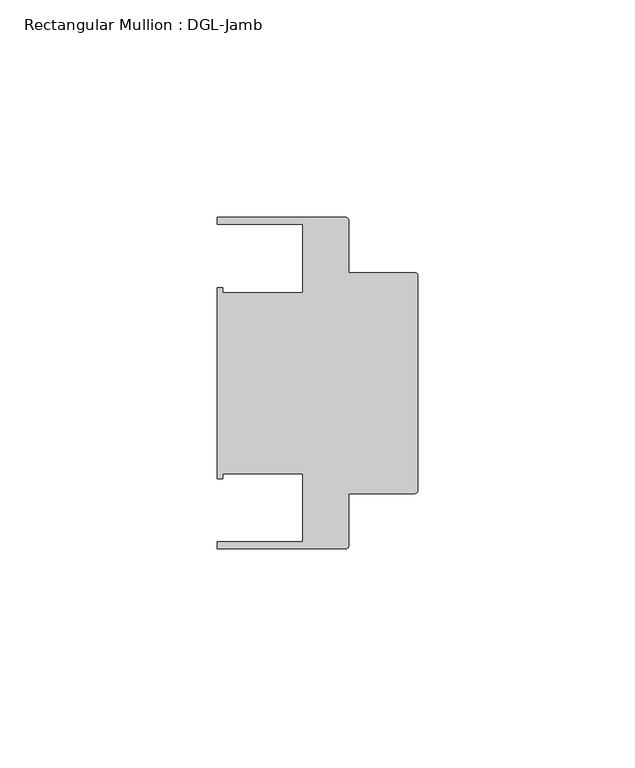
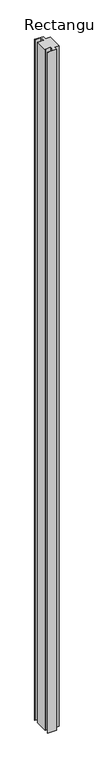
"""IFC4 building model written with IfcOpenShell, lengths in millimetres: member geometry, Rectangular Mullion : DGL-Jamb."""

from ifc_helpers import new_model, si_unit, point, frame, frame_2d, origin, place, context, project, spatial, polyline, circle_curve, trimmed, segment, composite_curve, outline, extrude, source, transform, mapped, element, save


def rectangular_mullion_dgl_jamb_969601b2(model_context):
    return source(origin(), model_context, "Body", "SweptSolid", [
        extrude(outline(composite_curve([segment(trimmed(circle_curve(frame_2d((-0.5953125, 24.8046875)), 0.5953125), [point((-0.5953125, 25.4))], [point((0.0, 24.8046875))], False, "CARTESIAN"), True, "CONTINUOUS"), segment(polyline([(0.0, 24.8046875), (0.0, -24.8046875)]), True, "CONTINUOUS"), segment(trimmed(circle_curve(frame_2d((-0.5953125, -24.8046875)), 0.5953125), [point((0.0, -24.8046875))], [point((-0.5953125, -25.4))], False, "CARTESIAN"), True, "CONTINUOUS"), segment(polyline([(-0.5953125, -25.4), (-15.8750672, -25.4), (-15.8750672, -37.5047035)]), True, "CONTINUOUS"), segment(trimmed(circle_curve(frame_2d((-16.4703797, -37.5047035)), 0.5953125), [point((-15.8750672, -37.5047035))], [point((-16.4703797, -38.100016))], False, "CARTESIAN"), True, "CONTINUOUS"), segment(polyline([(-16.4703797, -38.100016), (-46.0248655, -38.100016), (-46.0248655, -36.512516), (-26.3720794, -36.512516), (-26.3720794, -20.8257348), (-44.7780305, -20.8257348), (-44.7780305, -21.9710976), (-46.0339598, -21.9710976), (-46.0339598, 21.9710976), (-44.7780305, 21.9710976), (-44.7780305, 20.8257348), (-26.3720794, 20.8257348), (-26.3720794, 36.512516), (-46.0339598, 36.512516), (-46.0339598, 38.0996792), (-16.4703797, 38.0996792)]), True, "CONTINUOUS"), segment(trimmed(circle_curve(frame_2d((-16.4703797, 37.5043667)), 0.5953125), [point((-16.4703797, 38.0996792))], [point((-15.8750672, 37.5043667))], False, "CARTESIAN"), True, "CONTINUOUS"), segment(polyline([(-15.8750672, 37.5043667), (-15.8750672, 25.4), (-0.5953125, 25.4)]), True, "CONTINUOUS")], self_intersect=False)), frame((0.0, 0.0, -2438.4), z_axis=(0.0, 0.0, 1.0), x_axis=(1.0, 0.0, 0.0)), (0.0, 0.0, 1.0), 2438.4),
    ])


if __name__ == "__main__":
    model = new_model("IFC4")
    model_context = context("Model", 3, world=origin())
    ifc_project = project(units=[si_unit("LENGTHUNIT", "METRE", prefix="MILLI")], contexts=[model_context])
    site = spatial("IfcSite", under=ifc_project)
    building = spatial("IfcBuilding", under=site)
    placement = place(None, origin())
    rectangular_mullion_dgl_jamb_shape = rectangular_mullion_dgl_jamb_969601b2(model_context)
    element("IfcMember", 1, ObjectType="Rectangular Mullion : DGL-Jamb", at=placement, inside=building, context=model_context, shape_type="MappedRepresentation", body=[
        mapped(rectangular_mullion_dgl_jamb_shape, transform((0.0, 0.0, 0.0), x_axis=(1.0, 0.0, 0.0), y_axis=(0.0, 1.0, 0.0), z_axis=(0.0, 0.0, 1.0))),
    ])
    save(model, "model.ifc")
